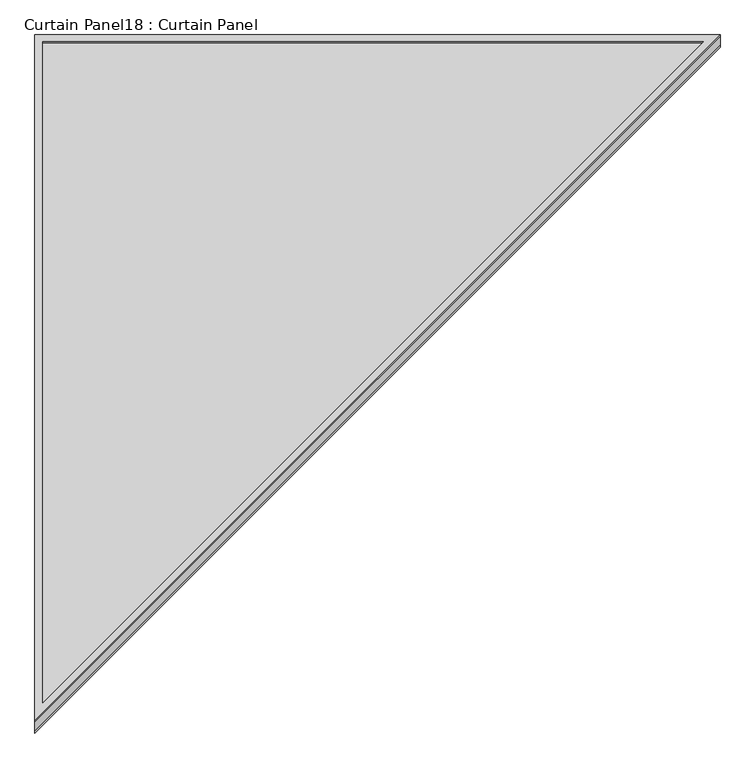
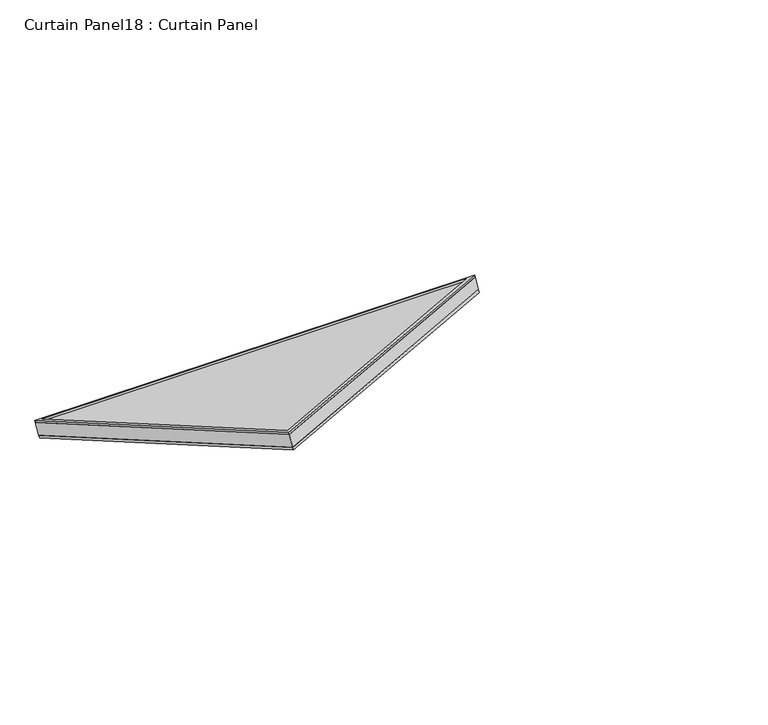
"""IFC4 building model written with IfcOpenShell, lengths in millimetres: plate geometry, Curtain Panel18 : Curtain Panel."""

from ifc_helpers import new_model, si_unit, frame, origin, place, context, project, spatial, polyline, outline, extrude, source, transform, mapped, element, save


def curtain_panel18_curtain_panel_ef49bacb(model_context):
    return source(origin(), model_context, "Body", "SweptSolid", [
        extrude(outline(polyline([(1305.9200807, -12.7), (-12.7, -12.7), (-12.7, 1129.2584878), (1305.9200807, -12.7)]), holes=[polyline([(1271.8558135, 0.0), (0.0, 1101.4594443), (0.0, 0.0), (1271.8558135, 0.0)])]), frame((-5870.5692107, 12133.7472101, 1.6863899), z_axis=(0.0, 0.49999999999999956, 0.8660254037844389), x_axis=(0.0, -0.8660254037844389, 0.49999999999999956)), (0.0, 0.0, 1.0), 4.7753694),
        extrude(outline(polyline([(1305.9200807, -12.7), (-12.7, -12.7), (-12.7, 1129.2584878), (1305.9200807, -12.7)]), holes=[polyline([(1271.8558134, 0.0), (0.0, 1101.4594443), (0.0, 0.0), (1271.8558134, 0.0)])]), frame((-5870.5692107, 12115.3068948, -30.2531731), z_axis=(0.0, 0.4999999999999994, 0.866025403784439), x_axis=(0.0, -0.866025403784439, 0.4999999999999994)), (0.0, 0.0, 1.0), 6.7181306),
        extrude(outline(polyline([(12.7, 0.0), (1154.6584878, 0.0), (12.7, -1318.6200807), (12.7, 0.0)])), frame((-5895.9692107, 12129.6644827, -30.7851013), z_axis=(0.0, 0.49999999999999867, 0.8660254037844395), x_axis=(1.0, 0.0, 0.0)), (0.0, 0.0, 1.0), 30.1625),
    ])


if __name__ == "__main__":
    model = new_model("IFC4")
    model_context = context("Model", 3, world=origin())
    ifc_project = project(units=[si_unit("LENGTHUNIT", "METRE", prefix="MILLI")], contexts=[model_context])
    site = spatial("IfcSite", under=ifc_project)
    building = spatial("IfcBuilding", under=site)
    placement = place(None, origin())
    curtain_panel18_curtain_panel_shape = curtain_panel18_curtain_panel_ef49bacb(model_context)
    element("IfcPlate", 1, ObjectType="Curtain Panel18 : Curtain Panel", at=placement, inside=building, context=model_context, shape_type="MappedRepresentation", body=[
        mapped(curtain_panel18_curtain_panel_shape, transform((0.0, 0.0, 0.0), x_axis=(1.0, 0.0, 0.0), y_axis=(0.0, 1.0, 0.0), z_axis=(0.0, 0.0, 1.0))),
    ])
    save(model, "model.ifc")
